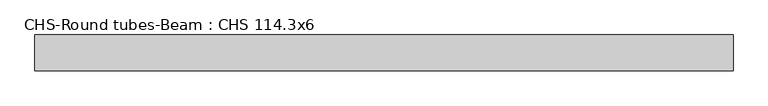
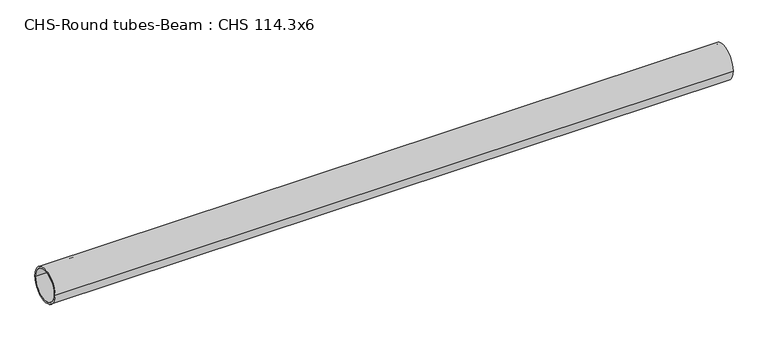
"""IFC4 building model written with IfcOpenShell, lengths in millimetres: beam geometry, CHS-Round tubes-Beam : CHS 114.3x6."""

from ifc_helpers import new_model, si_unit, point, frame, origin, origin_2d, place, context, project, spatial, circle_curve, trimmed, segment, composite_curve, outline, extrude, source, transform, mapped, element, save


def chs_round_tubes_beam_chs_114_3x6_b268c98f(model_context):
    return source(origin(), model_context, "Body", "SweptSolid", [
        extrude(outline(composite_curve([segment(trimmed(circle_curve(origin_2d(), 57.15), [point((57.15, 0.0))], [point((-57.15, 0.0))], False, "CARTESIAN"), True, "CONTINUOUS"), segment(trimmed(circle_curve(origin_2d(), 57.15), [point((-57.15, 0.0))], [point((57.15, 0.0))], False, "CARTESIAN"), True, "CONTINUOUS")], self_intersect=False), holes=[composite_curve([segment(trimmed(circle_curve(origin_2d(), 51.15), [point((51.15, 0.0))], [point((-51.15, 0.0))], True, "CARTESIAN"), True, "CONTINUOUS"), segment(trimmed(circle_curve(origin_2d(), 51.15), [point((-51.15, 0.0))], [point((51.15, 0.0))], True, "CARTESIAN"), True, "CONTINUOUS")], self_intersect=False)]), frame((-942.9039133, 0.0, 0.0), z_axis=(1.0, 0.0, 0.0), x_axis=(0.0, 1.0, 0.0)), (0.0, 0.0, 1.0), 2235.3667128),
    ])


if __name__ == "__main__":
    model = new_model("IFC4")
    model_context = context("Model", 3, world=origin())
    ifc_project = project(units=[si_unit("LENGTHUNIT", "METRE", prefix="MILLI")], contexts=[model_context])
    site = spatial("IfcSite", under=ifc_project)
    building = spatial("IfcBuilding", under=site)
    placement = place(None, origin())
    chs_round_tubes_beam_chs_114_3x6_shape = chs_round_tubes_beam_chs_114_3x6_b268c98f(model_context)
    element("IfcBeam", 1, ObjectType="CHS-Round tubes-Beam : CHS 114.3x6", at=placement, inside=building, context=model_context, shape_type="MappedRepresentation", body=[
        mapped(chs_round_tubes_beam_chs_114_3x6_shape, transform((0.0, 0.0, 0.0), x_axis=(1.0, 0.0, 0.0), y_axis=(0.0, 1.0, 0.0), z_axis=(0.0, 0.0, 1.0))),
    ])
    save(model, "model.ifc")
